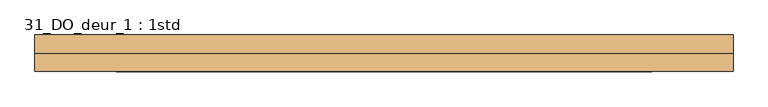
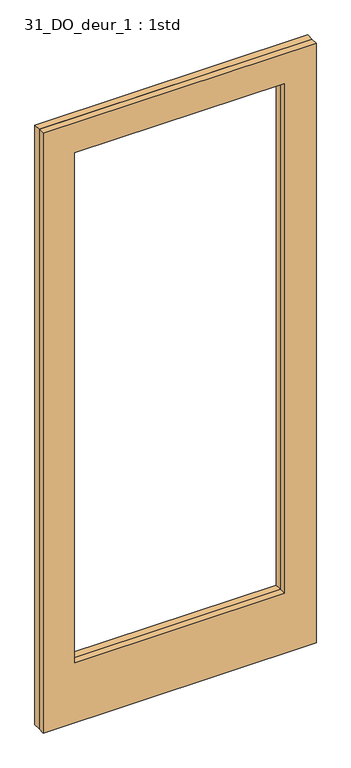
"""IFC4 building model written with IfcOpenShell, lengths in millimetres: door geometry, 31_DO_deur_1 : 1std."""

import ifcopenshell
import ifcopenshell.guid

model = None  # the IFC model being written
_history = None  # IfcOwnerHistory: only IFC2X3 demands one
_inside = {}  # id of a spatial element -> (the spatial element, [elements in it])
_under = {}  # id of a project, library or spatial element -> (it, [spatial elements below it])
_declared = {}  # id of a project -> (the project, [libraries it declares])
_typed = {}  # id of a type object -> (the type object, [elements of that type])
_made_of = {}  # id of a material, layer set ... -> (it, [elements and type objects made of it])


def new_model(schema):
    """Start an empty IFC model of exactly this schema.

    Asked for "IFC4X3", IfcOpenShell would pick the latest addendum, in which some entities
    have other attributes; the version numbers below select the first issue.
    IFC2X3 requires an IfcOwnerHistory on every rooted entity: one is made here for all.
    """
    global model, _history
    if schema == "IFC4X3":
        model = ifcopenshell.file(schema_version=(4, 3, 0, 0))
    else:
        model = ifcopenshell.file(schema=schema)
    _inside.clear()
    _under.clear()
    _declared.clear()
    _typed.clear()
    _made_of.clear()
    _history = None
    if model.schema == "IFC2X3":
        org = make("IfcOrganization", Name="unknown")
        user = make(
            "IfcPersonAndOrganization",
            ThePerson=make("IfcPerson", FamilyName="unknown"),
            TheOrganization=org,
        )
        app = make(
            "IfcApplication",
            ApplicationDeveloper=org,
            Version="unknown",
            ApplicationFullName="unknown",
            ApplicationIdentifier="unknown",
        )
        _history = make(
            "IfcOwnerHistory",
            OwningUser=user,
            OwningApplication=app,
            ChangeAction="ADDED",
            CreationDate=0,
        )
    return model


def make(cls, **values):
    """One entity of the class cls with the attributes given. An attribute that is None is left unset."""
    return model.create_entity(
        cls, **{name: value for name, value in values.items() if value is not None}
    )


def rooted(cls, **values):
    """An entity with a GlobalId (a new one), such as an element, a storey or a relation."""
    return make(cls, GlobalId=ifcopenshell.guid.new(), OwnerHistory=_history, **values)


def si_unit(unit_type, name, prefix=None):
    """IfcSIUnit, for example si_unit("LENGTHUNIT", "METRE", prefix="MILLI")."""
    return make("IfcSIUnit", UnitType=unit_type, Prefix=prefix, Name=name)


def assignment(units):
    """IfcUnitAssignment: the units of a project."""
    return None if units is None else make("IfcUnitAssignment", Units=units)


def point(xyz):
    """IfcCartesianPoint."""
    return None if xyz is None else make("IfcCartesianPoint", Coordinates=xyz)


def direction(xyz):
    """IfcDirection."""
    return None if xyz is None else make("IfcDirection", DirectionRatios=xyz)


def frame(location, z_axis=None, x_axis=None):
    """IfcAxis2Placement3D, a coordinate frame: its origin and axes. An axis left out is left unset."""
    return make(
        "IfcAxis2Placement3D",
        Location=point(location),
        Axis=direction(z_axis),
        RefDirection=direction(x_axis),
    )


def origin():
    """The frame at (0, 0, 0) with its axes left unset."""
    return frame((0.0, 0.0, 0.0))


def place(relative_to, where):
    """IfcLocalPlacement: puts the frame where relative to a parent placement (None: the world)."""
    return make(
        "IfcLocalPlacement", PlacementRelTo=relative_to, RelativePlacement=where
    )


def context(
    kind, dimensions, precision=None, world=None, true_north=None, identifier=None
):
    """IfcGeometricRepresentationContext, for example the 3D "Model" context."""
    return make(
        "IfcGeometricRepresentationContext",
        ContextIdentifier=identifier,
        ContextType=kind,
        CoordinateSpaceDimension=dimensions,
        Precision=precision,
        WorldCoordinateSystem=world,
        TrueNorth=true_north,
    )


def project(units=None, contexts=None):
    """IfcProject with its units and contexts."""
    return rooted(
        "IfcProject",
        Name="project",
        RepresentationContexts=contexts,
        UnitsInContext=assignment(units),
    )


def spatial(cls, under=None, at=None, **own):
    """A site, building, storey or space (cls), placed at a placement, below another one or the project."""
    s = rooted(cls, ObjectPlacement=at, **own)
    if under is not None:
        _under.setdefault(under.id(), (under, []))[1].append(s)
    return s


def polyline(points):
    """IfcPolyline through the points."""
    return make("IfcPolyline", Points=[point(p) for p in points])


def outline(outer, holes=None, kind="AREA"):
    """IfcArbitraryClosedProfileDef: a profile drawn as a closed curve; with holes, ...WithVoids."""
    if holes is None:
        return make("IfcArbitraryClosedProfileDef", ProfileType=kind, OuterCurve=outer)
    return make(
        "IfcArbitraryProfileDefWithVoids",
        ProfileType=kind,
        OuterCurve=outer,
        InnerCurves=holes,
    )


def extrude(swept, where, along, depth):
    """IfcExtrudedAreaSolid: the profile swept, set in the frame where, extruded along a direction by depth."""
    return make(
        "IfcExtrudedAreaSolid",
        SweptArea=swept,
        Position=where,
        ExtrudedDirection=direction(along),
        Depth=depth,
    )


def shape(context_of_items, identifier, shape_type, items):
    """IfcShapeRepresentation: the items that make up one representation, for example the "Body"."""
    return make(
        "IfcShapeRepresentation",
        ContextOfItems=context_of_items,
        RepresentationIdentifier=identifier,
        RepresentationType=shape_type,
        Items=items,
    )


def source(mapping_origin, context_of_items, identifier, shape_type, items):
    """IfcRepresentationMap: a shape defined once, which mapped items show again and again."""
    return make(
        "IfcRepresentationMap",
        MappingOrigin=mapping_origin,
        MappedRepresentation=shape(context_of_items, identifier, shape_type, items),
    )


def transform(
    local_origin,
    x_axis=None,
    y_axis=None,
    z_axis=None,
    scale=None,
    scale2=None,
    scale3=None,
    uniform=True,
):
    """IfcCartesianTransformationOperator3D, or its non-uniform kind. x_axis, y_axis, z_axis: its Axis1, 2, 3."""
    if uniform:
        return make(
            "IfcCartesianTransformationOperator3D",
            Axis1=direction(x_axis),
            Axis2=direction(y_axis),
            LocalOrigin=point(local_origin),
            Scale=scale,
            Axis3=direction(z_axis),
        )
    return make(
        "IfcCartesianTransformationOperator3DnonUniform",
        Axis1=direction(x_axis),
        Axis2=direction(y_axis),
        LocalOrigin=point(local_origin),
        Scale=scale,
        Axis3=direction(z_axis),
        Scale2=scale2,
        Scale3=scale3,
    )


def mapped(mapping_source, mapping_target):
    """IfcMappedItem: shows the shape of a source again, moved by a transform."""
    return make(
        "IfcMappedItem", MappingSource=mapping_source, MappingTarget=mapping_target
    )


def made_of(thing, what):
    """Note that an element or type object is made of a material, layer set ...; save() writes the relation."""
    if what is not None:
        _made_of.setdefault(what.id(), (what, []))[1].append(thing)
    return thing


def element(
    cls,
    number,
    at=None,
    inside=None,
    cuts=None,
    type_object=None,
    material=None,
    context=None,
    identifier="Body",
    shape_type=None,
    held_by="IfcProductDefinitionShape",
    body=None,
    shapes=None,
    **own,
):
    """One element of the class cls, such as IfcWall. Its Tag is "e" and its number.

    at: its placement. inside: the storey or other place that contains it. cuts: it is an
    opening in that element (IfcRelVoidsElement). A single representation is given by context,
    identifier, shape_type and body (its items); several are given by shapes. held_by: the class
    of the entity that holds the representations. save() writes the other relations.
    """
    e = rooted(cls, Tag="e%d" % number, ObjectPlacement=at, **own)
    if body is not None:
        shapes = [shape(context, identifier, shape_type, body)]
    if shapes is not None:
        e.Representation = make(held_by, Representations=shapes)
    if inside is not None:
        _inside.setdefault(inside.id(), (inside, []))[1].append(e)
    if cuts is not None:
        rooted(
            "IfcRelVoidsElement", RelatingBuildingElement=cuts, RelatedOpeningElement=e
        )
    if type_object is not None:
        _typed.setdefault(type_object.id(), (type_object, []))[1].append(e)
    return made_of(e, material)


def aggregate(whole, parts):
    """IfcRelAggregates: a whole, such as a stair, and the parts it consists of."""
    return rooted("IfcRelAggregates", RelatingObject=whole, RelatedObjects=parts)


def save(model, path):
    """Write the relations noted so far, then the file.

    IfcRelAggregates (storeys below a building ...), IfcRelContainedInSpatialStructure (elements
    in a storey), IfcRelDefinesByType, IfcRelAssociatesMaterial and IfcRelDeclares: one each for
    every whole, place, type object, material and project.
    """
    for whole, parts in _under.values():
        aggregate(whole, parts)
    for where, things in _inside.values():
        rooted(
            "IfcRelContainedInSpatialStructure",
            RelatedElements=things,
            RelatingStructure=where,
        )
    for kind, things in _typed.values():
        rooted("IfcRelDefinesByType", RelatedObjects=things, RelatingType=kind)
    for what, things in _made_of.values():
        rooted("IfcRelAssociatesMaterial", RelatedObjects=things, RelatingMaterial=what)
    for by, libraries in _declared.values():
        rooted("IfcRelDeclares", RelatingContext=by, RelatedDefinitions=libraries)
    model.write(path)


def door_31_do_deur_1_1std_3b71288b(model_context):
    return source(origin(), model_context, "Body", "SweptSolid", [
        extrude(outline(polyline([(2399.5, -516.5), (0.0, -516.5), (0.0, 516.5), (2399.5, 516.5), (2399.5, -516.5)]), holes=[polyline([(240.0, -396.5), (2279.5, -396.5), (2279.5, 396.5), (240.0, 396.5), (240.0, -396.5)])]), frame((0.0, 57.0, 0.0), z_axis=(0.0, 1.0, 0.0), x_axis=(0.0, 0.0, 1.0)), (0.0, 0.0, 1.0), 27.0),
        extrude(outline(polyline([(2399.5, -516.5), (0.0, -516.5), (0.0, 516.5), (2399.5, 516.5), (2399.5, -516.5)]), holes=[polyline([(240.0, -396.5), (2279.5, -396.5), (2279.5, 396.5), (240.0, 396.5), (240.0, -396.5)])]), frame((0.0, 30.0, 0.0), z_axis=(0.0, 1.0, 0.0), x_axis=(0.0, 0.0, 1.0)), (0.0, 0.0, 1.0), 27.0),
    ])


if __name__ == "__main__":
    model = new_model("IFC4")
    model_context = context("Model", 3, world=origin())
    ifc_project = project(units=[si_unit("LENGTHUNIT", "METRE", prefix="MILLI")], contexts=[model_context])
    site = spatial("IfcSite", under=ifc_project)
    building = spatial("IfcBuilding", under=site)
    placement = place(None, origin())
    door_31_do_deur_1_1std_shape = door_31_do_deur_1_1std_3b71288b(model_context)
    element("IfcDoor", 1, ObjectType="31_DO_deur_1 : 1std", at=placement, inside=building, context=model_context, shape_type="MappedRepresentation", body=[
        mapped(door_31_do_deur_1_1std_shape, transform((0.0, 0.0, 0.0), x_axis=(1.0, 0.0, 0.0), y_axis=(0.0, 1.0, 0.0), z_axis=(0.0, 0.0, 1.0))),
    ])
    save(model, "model.ifc")
